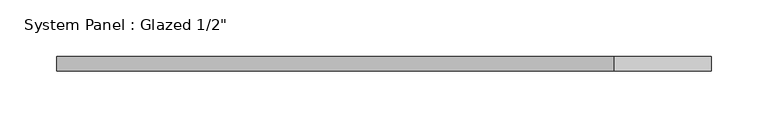
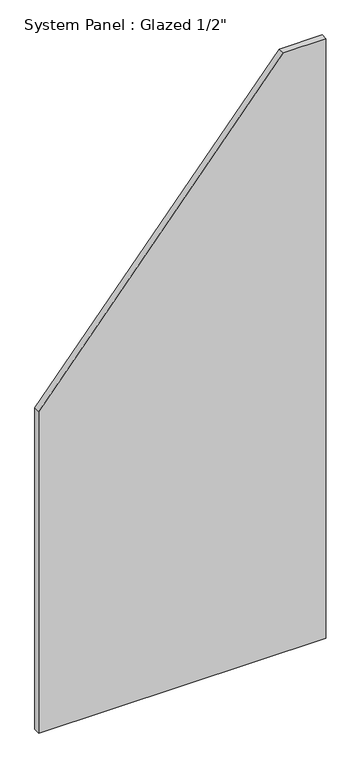
"""IFC4 building model written with IfcOpenShell, lengths in millimetres: plate geometry."""

from ifc_helpers import new_model, si_unit, frame, origin, place, context, project, spatial, polyline, outline, extrude, source, transform, mapped, element, save


def plate_a4b6e405(model_context):
    return source(origin(), model_context, "Body", "SweptSolid", [
        extrude(outline(polyline([(0.0, -288.1456866), (0.0, 288.1456866), (1272.115036, 288.1456866), (1272.115036, 202.6623219), (682.2372222, -288.1456866), (0.0, -288.1456866)])), frame((0.0, -6.35, 0.0), z_axis=(0.0, 1.0, 0.0), x_axis=(0.0, 0.0, 1.0)), (0.0, 0.0, 1.0), 12.7),
    ])


if __name__ == "__main__":
    model = new_model("IFC4")
    model_context = context("Model", 3, world=origin())
    ifc_project = project(units=[si_unit("LENGTHUNIT", "METRE", prefix="MILLI")], contexts=[model_context])
    site = spatial("IfcSite", under=ifc_project)
    building = spatial("IfcBuilding", under=site)
    placement = place(None, origin())
    plate_shape = plate_a4b6e405(model_context)
    element("IfcPlate", 1, ObjectType="System Panel : Glazed 1/2\"", at=placement, inside=building, context=model_context, shape_type="MappedRepresentation", body=[
        mapped(plate_shape, transform((0.0, 0.0, 0.0), x_axis=(1.0, 0.0, 0.0), y_axis=(0.0, 1.0, 0.0), z_axis=(0.0, 0.0, 1.0))),
    ])
    save(model, "model.ifc")
